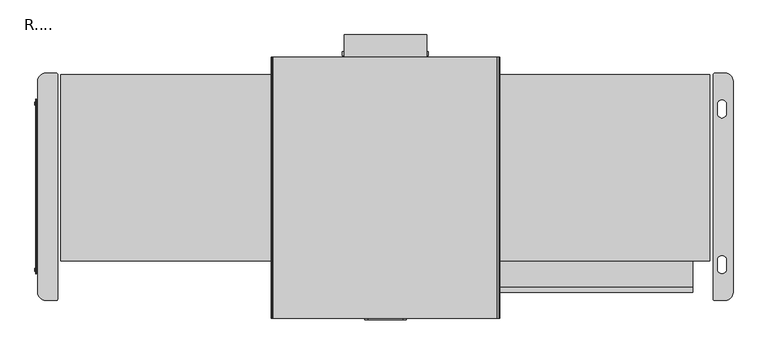
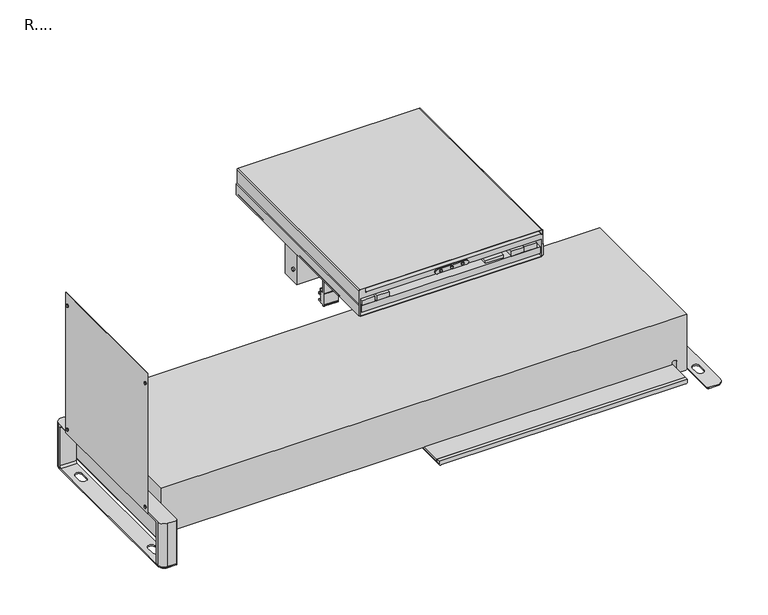
"""IFC4 building model written with IfcOpenShell, lengths in millimetres: proxy geometry, R....."""

from ifc_helpers import new_model, si_unit, point, frame, frame_2d, origin, origin_with_axes, place, context, project, spatial, polyline, circle_curve, trimmed, segment, composite_curve, outline, extrude, source, transform, mapped, element, save
from ifc_brep_helpers import plane_surface, cylinder_surface, revolved_surface, advanced_brep


def r_18de307f(model_context):
    return source(origin(), model_context, "Body", "SolidModel", [
        advanced_brep(
        [(250.1971938, -295.503, 582.7974869), (252.1971938, -295.503, 583.5614189), (253.2, -295.503, 585.8075339), (253.2, -295.503, 590.7), (253.2, -295.503, 595.6), (255.0, -295.503, 595.6), (255.0, -295.503, 586.3), (256.5, -295.503, 586.3), (256.5, -295.503, 617.6), (254.5, -295.503, 619.2733201), (254.5, -295.503, 658.3000631), (251.5000631, -295.503, 661.3), (-251.5, -295.503, 661.3), (-254.4999369, -295.503, 658.3000631), (-254.4999369, -295.503, 619.2733087), (-256.5, -295.503, 617.6), (-256.5, -295.503, 586.3), (-255.0, -295.503, 586.3), (-255.0, -295.503, 595.6), (-252.8, -295.503, 595.6), (-252.8, -295.503, 590.7), (-252.8, -295.503, 585.803767), (-251.7971915, -295.503, 583.5614189), (-249.7971915, -295.503, 582.7974869), (-249.8, -295.503, 634.3), (250.2, -295.503, 634.3), (250.2, -295.503, 584.3), (-249.8, -295.503, 584.3), (-236.8, -295.503, 659.8), (251.4950188, -295.503, 659.8), (253.0, -295.503, 658.3), (253.0, -295.503, 647.1717798), (251.2, -295.503, 648.3), (249.9, -295.503, 648.3), (249.9, -295.503, 650.0), (-235.8, -295.503, 650.0), (-235.8, -295.503, 648.4), (-236.8, -295.503, 648.4), (247.6997616, -295.503, 593.2034903), (247.6997616, -295.503, 612.9896324), (-247.3002997, -295.503, 612.9896324), (-247.3002997, -295.503, 593.2034903), (95.375, -295.503, 616.75), (145.275, -295.503, 616.75), (145.275, -295.503, 625.25), (95.375, -295.503, 625.25), (202.4, -295.503, 627.5), (167.4, -295.503, 627.5), (167.4, -295.503, 613.4), (202.4, -295.503, 613.4), (238.8, -295.503, 627.5), (203.8, -295.503, 627.5), (203.8, -295.503, 613.4), (238.8, -295.503, 613.4), (-171.3, -295.503, 627.5), (-206.3, -295.503, 627.5), (-206.3, -295.503, 613.4), (-171.3, -295.503, 613.4), (-211.2, -295.503, 627.5), (-246.2, -295.503, 627.5), (-246.2, -295.503, 613.4), (-211.2, -295.503, 613.4), (250.1971938, 291.75, 582.7974869), (-249.7971915, 291.75, 582.7974869), (-251.7971915, 291.75, 583.5614189), (-252.8, 291.75, 585.803767), (-252.8, 291.75, 590.7), (-252.8, 291.75, 595.6), (-255.0, 291.75, 595.6), (-255.0, 291.75, 586.3), (-256.5, 291.75, 586.3), (-256.5, 291.75, 617.6), (-254.4999369, 291.75, 619.2733087), (-254.4999369, 291.75, 658.3000631), (-251.5, 291.75, 661.3), (251.5000631, 291.75, 661.3), (254.5, 291.75, 658.3000631), (254.5, 291.75, 619.2733201), (256.5, 291.75, 617.6), (256.5, 291.75, 586.3), (255.0, 291.75, 586.3), (255.0, 291.75, 595.6), (253.2, 291.75, 595.6), (253.2, 291.75, 590.7), (253.2, 291.75, 585.8075339), (252.1971938, 291.75, 583.5614189), (250.2, 242.4499937, 634.3), (-249.8, 242.4499937, 634.3), (-249.8, 242.4499937, 584.3), (250.2, 242.4499937, 584.3), (247.6997616, 242.4499937, 612.9896324), (247.6997616, 242.4499937, 593.2034903), (-247.3002997, 242.4499937, 593.2034903), (-247.3002997, 242.4499937, 612.9896324), (145.275, 242.4499937, 616.75), (95.375, 242.4499937, 616.75), (95.375, 242.4499937, 625.25), (145.275, 242.4499937, 625.25), (167.4, 242.4499937, 627.5), (202.4, 242.4499937, 627.5), (202.4, 242.4499937, 613.4), (167.4, 242.4499937, 613.4), (203.8, 242.4499937, 627.5), (238.8, 242.4499937, 627.5), (238.8, 242.4499937, 613.4), (203.8, 242.4499937, 613.4), (-206.3, 242.4499937, 627.5), (-171.3, 242.4499937, 627.5), (-171.3, 242.4499937, 613.4), (-206.3, 242.4499937, 613.4), (-246.2, 242.4499937, 627.5), (-211.2, 242.4499937, 627.5), (-211.2, 242.4499937, 613.4), (-246.2, 242.4499937, 613.4), (251.4950188, 242.4499937, 659.8), (-236.8, 242.4499937, 659.8), (-236.8, 242.4499937, 648.4), (-235.8, 242.4499937, 648.4), (-235.8, 242.4499937, 650.0), (249.9, 242.4499937, 650.0), (249.9, 242.4499937, 648.3), (251.2, 242.4499937, 648.3), (253.0, 242.4499937, 647.1717798), (253.0, 242.4499937, 658.3)],
        [
            (0, 1, circle_curve(frame((250.1971938, -295.503, 585.7974869), z_axis=(0.0, -1.0, 0.0), x_axis=(1.0, 0.0, 0.0)), 3.0)),
            (1, 2, circle_curve(frame((250.1915768, -295.503, 585.803767), z_axis=(0.0, -1.0, 0.0), x_axis=(0.9999992160780129, 0.0, -0.001252135519700065)), 3.0084255)),
            (2, 3),
            (3, 4),
            (4, 5),
            (5, 6),
            (6, 7),
            (7, 8),
            (8, 9, circle_curve(frame((254.8, -295.503, 617.6), z_axis=(0.0, -1.0, 0.0), x_axis=(0.0, 0.0, 1.0)), 1.7)),
            (9, 10),
            (10, 11, circle_curve(frame((251.5000631, -295.503, 658.3000631), z_axis=(0.0, -1.0, 0.0), x_axis=(1.0, 0.0, 0.0)), 2.9999369)),
            (11, 12),
            (12, 13, circle_curve(frame((-251.5, -295.503, 658.3000631), z_axis=(0.0, -1.0, 0.0), x_axis=(-1.0, 0.0, 0.0)), 2.9999369)),
            (13, 14),
            (14, 15, circle_curve(frame((-254.8, -295.503, 617.6), z_axis=(0.0, -1.0, 0.0), x_axis=(-1.0, 0.0, 0.0)), 1.7)),
            (15, 16),
            (16, 17),
            (17, 18),
            (18, 19),
            (19, 20),
            (20, 21),
            (21, 22, circle_curve(frame((-249.7915745, -295.503, 585.803767), z_axis=(0.0, -1.0, 0.0), x_axis=(-0.9999992160780129, 0.0, -0.0012521355196968339)), 3.0084255)),
            (22, 23, circle_curve(frame((-249.7971915, -295.503, 585.7974869), z_axis=(0.0, -1.0, 0.0), x_axis=(-1.0, 0.0, 0.0)), 3.0)),
            (23, 0),
            (24, 25),
            (25, 26),
            (26, 27),
            (27, 24),
            (28, 29),
            (29, 30, circle_curve(frame((251.4975094, -295.503, 658.2975094), z_axis=(0.0, 1.0, 0.0), x_axis=(1.0, 0.0, 0.0)), 1.5024927)),
            (30, 31),
            (31, 32, circle_curve(frame((251.2, -295.503, 646.3), z_axis=(0.0, -1.0, 0.0), x_axis=(1.0, 0.0, 0.0)), 2.0)),
            (32, 33),
            (33, 34),
            (34, 35),
            (35, 36),
            (36, 37),
            (37, 28),
            (38, 39),
            (39, 40),
            (40, 41),
            (41, 38),
            (42, 43),
            (43, 44),
            (44, 45),
            (45, 42),
            (46, 47),
            (47, 48),
            (48, 49),
            (49, 46),
            (50, 51),
            (51, 52),
            (52, 53),
            (53, 50),
            (54, 55),
            (55, 56),
            (56, 57),
            (57, 54),
            (58, 59),
            (59, 60),
            (60, 61),
            (61, 58),
            (62, 63),
            (63, 64, circle_curve(frame((-249.7971915, 291.75, 585.7974869), z_axis=(0.0, 1.0, 0.0), x_axis=(-1.0, 0.0, 0.0)), 3.0)),
            (64, 65, circle_curve(frame((-249.7915745, 291.75, 585.803767), z_axis=(0.0, 1.0, 0.0), x_axis=(-0.9999992160780129, 0.0, -0.0012521355196968339)), 3.0084255)),
            (65, 66),
            (66, 67),
            (67, 68),
            (68, 69),
            (69, 70),
            (70, 71),
            (71, 72, circle_curve(frame((-254.8, 291.75, 617.6), z_axis=(0.0, 1.0, 0.0), x_axis=(-1.0, 0.0, 0.0)), 1.7)),
            (72, 73),
            (73, 74, circle_curve(frame((-251.5, 291.75, 658.3000631), z_axis=(0.0, 1.0, 0.0), x_axis=(-1.0, 0.0, 0.0)), 2.9999369)),
            (74, 75),
            (75, 76, circle_curve(frame((251.5000631, 291.75, 658.3000631), z_axis=(0.0, 1.0, 0.0), x_axis=(1.0, 0.0, 0.0)), 2.9999369)),
            (76, 77),
            (77, 78, circle_curve(frame((254.8, 291.75, 617.6), z_axis=(0.0, 1.0, 0.0), x_axis=(0.0, 0.0, 1.0)), 1.7)),
            (78, 79),
            (79, 80),
            (80, 81),
            (81, 82),
            (82, 83),
            (83, 84),
            (84, 85, circle_curve(frame((250.1915768, 291.75, 585.803767), z_axis=(0.0, 1.0, 0.0), x_axis=(0.9999992160780129, 0.0, -0.001252135519700065)), 3.0084255)),
            (85, 62, circle_curve(frame((250.1971938, 291.75, 585.7974869), z_axis=(0.0, 1.0, 0.0), x_axis=(1.0, 0.0, 0.0)), 3.0)),
            (0, 62),
            (85, 1),
            (84, 2),
            (9, 77),
            (76, 10),
            (75, 11),
            (74, 12),
            (23, 63),
            (86, 87),
            (87, 88),
            (88, 89),
            (89, 86),
            (90, 91),
            (91, 92),
            (92, 93),
            (93, 90),
            (94, 95),
            (95, 96),
            (96, 97),
            (97, 94),
            (98, 99),
            (99, 100),
            (100, 101),
            (101, 98),
            (102, 103),
            (103, 104),
            (104, 105),
            (105, 102),
            (106, 107),
            (107, 108),
            (108, 109),
            (109, 106),
            (110, 111),
            (111, 112),
            (112, 113),
            (113, 110),
            (86, 25),
            (24, 87),
            (27, 88),
            (26, 89),
            (83, 3),
            (82, 4),
            (81, 5),
            (73, 13),
            (72, 14),
            (18, 68),
            (67, 19),
            (66, 20),
            (65, 21),
            (64, 22),
            (80, 6),
            (79, 7),
            (78, 8),
            (71, 15),
            (70, 16),
            (69, 17),
            (114, 115),
            (115, 116),
            (116, 117),
            (117, 118),
            (118, 119),
            (119, 120),
            (120, 121),
            (121, 122, circle_curve(frame((251.2, 242.4499937, 646.3), z_axis=(0.0, 1.0, 0.0), x_axis=(1.0, 0.0, 0.0)), 2.0)),
            (122, 123),
            (123, 114, circle_curve(frame((251.4975094, 242.4499937, 658.2975094), z_axis=(0.0, -1.0, 0.0), x_axis=(1.0, 0.0, 0.0)), 1.5024927)),
            (114, 29),
            (28, 115),
            (37, 116),
            (118, 35),
            (34, 119),
            (36, 117),
            (33, 120),
            (32, 121),
            (31, 122),
            (30, 123),
            (90, 39),
            (38, 91),
            (41, 92),
            (40, 93),
            (94, 43),
            (42, 95),
            (45, 96),
            (44, 97),
            (98, 47),
            (46, 99),
            (49, 100),
            (48, 101),
            (102, 51),
            (50, 103),
            (53, 104),
            (52, 105),
            (106, 55),
            (54, 107),
            (57, 108),
            (56, 109),
            (110, 59),
            (58, 111),
            (61, 112),
            (60, 113),
        ],
        [
            plane_surface(frame((253.1971938, -295.503, 585.7974869), z_axis=(0.0, -1.0, 0.0), x_axis=(0.0, 0.0, 1.0))),
            plane_surface(frame((253.1971938, 291.75, 585.7974869), z_axis=(0.0, 1.0, 0.0), x_axis=(0.0, 0.0, -1.0))),
            cylinder_surface(frame((250.1971938, 291.75, 585.7974869), z_axis=(0.0, -1.0, 0.0), x_axis=(1.0, 0.0, 0.0)), 3.0),
            cylinder_surface(frame((250.1915768, 291.75, 585.803767), z_axis=(0.0, -1.0, 0.0), x_axis=(0.9999992160780129, 0.0, -0.001252135519700065)), 3.0084255),
            plane_surface(frame((254.5, -295.503, 619.2733201), z_axis=(1.0, 0.0, 0.0), x_axis=(0.0, 1.0, 0.0))),
            cylinder_surface(frame((251.5000631, 291.75, 658.3000631), z_axis=(0.0, -1.0, 0.0), x_axis=(1.0, 0.0, 0.0)), 2.9999369),
            plane_surface(frame((251.5000631, -295.503, 661.3), z_axis=(-1.3175240557842785e-12, 0.0, 1.0), x_axis=(0.0, 1.0, 0.0))),
            plane_surface(frame((-249.7971915, -295.503, 582.7974869), z_axis=(0.0, 0.0, -1.0), x_axis=(0.0, 1.0, 0.0))),
            plane_surface(frame((-244.5975258, 242.4499937, 634.3), z_axis=(0.0, -1.0, 0.0), x_axis=(1.0, 0.0, 0.0))),
            plane_surface(frame((250.2, -380.25, 634.3), z_axis=(0.0, 0.0, -1.0), x_axis=(0.0, 1.0, 0.0))),
            plane_surface(frame((-249.8, -380.25, 634.3), z_axis=(1.0, 0.0, 0.0), x_axis=(0.0, 1.0, 0.0))),
            plane_surface(frame((-249.8, -380.25, 584.3), z_axis=(0.0, 0.0, 1.0), x_axis=(0.0, 1.0, 0.0))),
            plane_surface(frame((250.2, -380.25, 584.3), z_axis=(-1.0, 0.0, 0.0), x_axis=(0.0, 1.0, 0.0))),
            plane_surface(frame((253.2, -295.503, 585.8075339), z_axis=(1.0, 0.0, 0.0), x_axis=(0.0, 1.0, 0.0))),
            plane_surface(frame((253.2, -295.503, 590.7), z_axis=(1.0, 0.0, 0.0), x_axis=(0.0, 1.0, 0.0))),
            plane_surface(frame((253.2, -295.503, 595.6), z_axis=(0.0, 0.0, -1.0), x_axis=(0.0, 1.0, 0.0))),
            cylinder_surface(frame((-251.5, 291.75, 658.3000631), z_axis=(0.0, -1.0, 0.0), x_axis=(-1.0, 0.0, 0.0)), 2.9999369),
            plane_surface(frame((-254.4999369, -295.503, 658.3000631), z_axis=(-1.0, 0.0, -1.697583253775681e-11), x_axis=(0.0, 1.0, 0.0))),
            plane_surface(frame((-255.0, -295.503, 595.6), z_axis=(0.0, 0.0, -1.0), x_axis=(0.0, 1.0, 0.0))),
            plane_surface(frame((-252.8, -295.503, 595.6), z_axis=(-1.0, 0.0, 0.0), x_axis=(0.0, 1.0, 0.0))),
            plane_surface(frame((-252.8, -295.503, 590.7), z_axis=(-1.0, 0.0, 0.0), x_axis=(0.0, 1.0, 0.0))),
            cylinder_surface(frame((-249.7915745, 291.75, 585.803767), z_axis=(0.0, -1.0, 0.0), x_axis=(-0.9999992160780129, 0.0, -0.0012521355196968339)), 3.0084255),
            cylinder_surface(frame((-249.7971915, 291.75, 585.7974869), z_axis=(0.0, -1.0, 0.0), x_axis=(-1.0, 0.0, 0.0)), 3.0),
            plane_surface(frame((255.0, -295.503, 595.6), z_axis=(-1.0, 0.0, 0.0), x_axis=(0.0, 1.0, 0.0))),
            plane_surface(frame((255.0, -295.503, 586.3), z_axis=(0.0, 0.0, -1.0), x_axis=(0.0, 1.0, 0.0))),
            plane_surface(frame((256.5, -295.503, 586.3), z_axis=(1.0, 0.0, 0.0), x_axis=(0.0, 1.0, 0.0))),
            cylinder_surface(frame((254.8, 291.75, 617.6), z_axis=(0.0, -1.0, 0.0), x_axis=(0.0, 0.0, 1.0)), 1.7),
            cylinder_surface(frame((-254.8, 291.75, 617.6), z_axis=(0.0, -1.0, 0.0), x_axis=(-1.0, 0.0, 0.0)), 1.7),
            plane_surface(frame((-256.5, -295.503, 617.6), z_axis=(-1.0, 0.0, 0.0), x_axis=(0.0, 1.0, 0.0))),
            plane_surface(frame((-256.5, -295.503, 586.3), z_axis=(0.0, 0.0, -1.0), x_axis=(0.0, 1.0, 0.0))),
            plane_surface(frame((-255.0, -295.503, 586.3), z_axis=(1.0, 0.0, 0.0), x_axis=(0.0, 1.0, 0.0))),
            plane_surface(frame((-244.5975258, 242.4499937, 659.8), z_axis=(0.0, -1.0, 0.0), x_axis=(1.0, 0.0, 0.0))),
            plane_surface(frame((251.4950188, -380.25, 659.8), z_axis=(0.0, 0.0, -1.0), x_axis=(0.0, 1.0, 0.0))),
            plane_surface(frame((-236.8, -380.25, 659.8), z_axis=(1.0, 0.0, 0.0), x_axis=(0.0, 1.0, 0.0))),
            plane_surface(frame((-235.8, -380.25, 650.0), z_axis=(0.0, 0.0, 1.0), x_axis=(0.0, 1.0, 0.0))),
            plane_surface(frame((-236.8, -380.25, 648.4), z_axis=(0.0, 0.0, 1.0), x_axis=(0.0, 1.0, 0.0))),
            plane_surface(frame((-235.8, -380.25, 648.4), z_axis=(-1.0, 0.0, 0.0), x_axis=(0.0, 1.0, 0.0))),
            plane_surface(frame((249.9, -380.25, 650.0), z_axis=(1.0, 0.0, 0.0), x_axis=(0.0, 1.0, 0.0))),
            plane_surface(frame((249.9, -380.25, 648.3), z_axis=(0.0, 0.0, 1.0), x_axis=(0.0, 1.0, 0.0))),
            cylinder_surface(frame((251.2, 242.4499937, 646.3), z_axis=(0.0, 1.0, 0.0), x_axis=(1.0, 0.0, 0.0)), 2.0),
            plane_surface(frame((253.0, -380.25, 647.1717798), z_axis=(-1.0, 0.0, 0.0), x_axis=(0.0, 1.0, 0.0))),
            revolved_surface(polyline([(253.00000210000002, -295.503, 658.2975094), (253.00000210000002, 242.4499937, 658.2975094)]), (251.4975094, 242.4499937, 658.2975094), (0.0, -1.0, 0.0)),
            plane_surface(frame((247.6997616, -380.25, 612.9896324), z_axis=(1.0, 0.0, 0.0), x_axis=(0.0, 1.0, 0.0))),
            plane_surface(frame((247.6997616, -380.25, 593.2034903), z_axis=(0.0, 0.0, -1.0), x_axis=(0.0, 1.0, 0.0))),
            plane_surface(frame((-247.3002997, -380.25, 593.2034903), z_axis=(-1.0, 0.0, 0.0), x_axis=(0.0, 1.0, 0.0))),
            plane_surface(frame((-247.3002997, -380.25, 612.9896324), z_axis=(0.0, 0.0, 1.0), x_axis=(0.0, 1.0, 0.0))),
            plane_surface(frame((145.275, -380.25, 616.75), z_axis=(0.0, 0.0, -1.0), x_axis=(0.0, 1.0, 0.0))),
            plane_surface(frame((95.375, -380.25, 616.75), z_axis=(-1.0, 0.0, 0.0), x_axis=(0.0, 1.0, 0.0))),
            plane_surface(frame((95.375, -380.25, 625.25), z_axis=(0.0, 0.0, 1.0), x_axis=(0.0, 1.0, 0.0))),
            plane_surface(frame((145.275, -380.25, 625.25), z_axis=(1.0, 0.0, 0.0), x_axis=(0.0, 1.0, 0.0))),
            plane_surface(frame((167.4, -380.25, 627.5), z_axis=(0.0, 0.0, 1.0), x_axis=(0.0, 1.0, 0.0))),
            plane_surface(frame((202.4, -380.25, 627.5), z_axis=(1.0, 0.0, 0.0), x_axis=(0.0, 1.0, 0.0))),
            plane_surface(frame((202.4, -380.25, 613.4), z_axis=(0.0, 0.0, -1.0), x_axis=(0.0, 1.0, 0.0))),
            plane_surface(frame((167.4, -380.25, 613.4), z_axis=(-1.0, 0.0, 0.0), x_axis=(0.0, 1.0, 0.0))),
            plane_surface(frame((203.8, -380.25, 627.5), z_axis=(0.0, 0.0, 1.0), x_axis=(0.0, 1.0, 0.0))),
            plane_surface(frame((238.8, -380.25, 627.5), z_axis=(1.0, 0.0, 0.0), x_axis=(0.0, 1.0, 0.0))),
            plane_surface(frame((238.8, -380.25, 613.4), z_axis=(0.0, 0.0, -1.0), x_axis=(0.0, 1.0, 0.0))),
            plane_surface(frame((203.8, -380.25, 613.4), z_axis=(-1.0, 0.0, 0.0), x_axis=(0.0, 1.0, 0.0))),
            plane_surface(frame((-206.3, -380.25, 627.5), z_axis=(0.0, 0.0, 1.0), x_axis=(0.0, 1.0, 0.0))),
            plane_surface(frame((-171.3, -380.25, 627.5), z_axis=(1.0, 0.0, 0.0), x_axis=(0.0, 1.0, 0.0))),
            plane_surface(frame((-171.3, -380.25, 613.4), z_axis=(0.0, 0.0, -1.0), x_axis=(0.0, 1.0, 0.0))),
            plane_surface(frame((-206.3, -380.25, 613.4), z_axis=(-1.0, 0.0, 0.0), x_axis=(0.0, 1.0, 0.0))),
            plane_surface(frame((-246.2, -380.25, 627.5), z_axis=(0.0, 0.0, 1.0), x_axis=(0.0, 1.0, 0.0))),
            plane_surface(frame((-211.2, -380.25, 627.5), z_axis=(1.0, 0.0, 0.0), x_axis=(0.0, 1.0, 0.0))),
            plane_surface(frame((-211.2, -380.25, 613.4), z_axis=(0.0, 0.0, -1.0), x_axis=(0.0, 1.0, 0.0))),
            plane_surface(frame((-246.2, -380.25, 613.4), z_axis=(-1.0, 0.0, 0.0), x_axis=(0.0, 1.0, 0.0))),
        ],
        [
            (0, [[1, 2, 3, 4, 5, 6, 7, 8, 9, 10, 11, 12, 13, 14, 15, 16, 17, 18, 19, 20, 21, 22, 23, 24], [25, 26, 27, 28], [29, 30, 31, 32, 33, 34, 35, 36, 37, 38]]),
            (0, [[39, 40, 41, 42]]),
            (0, [[43, 44, 45, 46]]),
            (0, [[47, 48, 49, 50]]),
            (0, [[51, 52, 53, 54]]),
            (0, [[55, 56, 57, 58]]),
            (0, [[59, 60, 61, 62]]),
            (1, [[63, 64, 65, 66, 67, 68, 69, 70, 71, 72, 73, 74, 75, 76, 77, 78, 79, 80, 81, 82, 83, 84, 85, 86]]),
            (2, [[-1, 87, -86, 88]]),
            (3, [[-2, -88, -85, 89]]),
            (4, [[-10, 90, -77, 91]]),
            (5, [[-11, -91, -76, 92]]),
            (6, [[-12, -92, -75, 93]]),
            (7, [[-24, 94, -63, -87]]),
            (8, [[95, 96, 97, 98], [99, 100, 101, 102], [103, 104, 105, 106], [107, 108, 109, 110], [111, 112, 113, 114], [115, 116, 117, 118], [119, 120, 121, 122]]),
            (9, [[-95, 123, -25, 124]]),
            (10, [[-96, -124, -28, 125]]),
            (11, [[-97, -125, -27, 126]]),
            (12, [[-98, -126, -26, -123]]),
            (13, [[-3, -89, -84, 127]]),
            (14, [[-4, -127, -83, 128]]),
            (15, [[-5, -128, -82, 129]]),
            (16, [[-13, -93, -74, 130]]),
            (17, [[-14, -130, -73, 131]]),
            (18, [[-19, 132, -68, 133]]),
            (19, [[-20, -133, -67, 134]]),
            (20, [[-21, -134, -66, 135]]),
            (21, [[-22, -135, -65, 136]]),
            (22, [[-23, -136, -64, -94]]),
            (23, [[-6, -129, -81, 137]]),
            (24, [[-7, -137, -80, 138]]),
            (25, [[-8, -138, -79, 139]]),
            (26, [[-9, -139, -78, -90]]),
            (27, [[-15, -131, -72, 140]]),
            (28, [[-16, -140, -71, 141]]),
            (29, [[-17, -141, -70, 142]]),
            (30, [[-18, -142, -69, -132]]),
            (31, [[143, 144, 145, 146, 147, 148, 149, 150, 151, 152]]),
            (32, [[-143, 153, -29, 154]]),
            (33, [[-144, -154, -38, 155]]),
            (34, [[-147, 156, -35, 157]]),
            (35, [[-145, -155, -37, 158]]),
            (36, [[-146, -158, -36, -156]]),
            (37, [[-148, -157, -34, 159]]),
            (38, [[-149, -159, -33, 160]]),
            (39, [[-150, -160, -32, 161]]),
            (40, [[-151, -161, -31, 162]]),
            (41, [[-152, -162, -30, -153]]),
            (42, [[-99, 163, -39, 164]]),
            (43, [[-100, -164, -42, 165]]),
            (44, [[-101, -165, -41, 166]]),
            (45, [[-102, -166, -40, -163]]),
            (46, [[-103, 167, -43, 168]]),
            (47, [[-104, -168, -46, 169]]),
            (48, [[-105, -169, -45, 170]]),
            (49, [[-106, -170, -44, -167]]),
            (50, [[-107, 171, -47, 172]]),
            (51, [[-108, -172, -50, 173]]),
            (52, [[-109, -173, -49, 174]]),
            (53, [[-110, -174, -48, -171]]),
            (54, [[-111, 175, -51, 176]]),
            (55, [[-112, -176, -54, 177]]),
            (56, [[-113, -177, -53, 178]]),
            (57, [[-114, -178, -52, -175]]),
            (58, [[-115, 179, -55, 180]]),
            (59, [[-116, -180, -58, 181]]),
            (60, [[-117, -181, -57, 182]]),
            (61, [[-118, -182, -56, -179]]),
            (62, [[-119, 183, -59, 184]]),
            (63, [[-120, -184, -62, 185]]),
            (64, [[-121, -185, -61, 186]]),
            (65, [[-122, -186, -60, -183]]),
        ],
    ),
        extrude(outline(polyline([(340.5, 258.8), (332.0, 258.8), (332.0, 254.8), (324.0, 254.8), (324.0, 258.8), (315.5, 258.8), (315.5, 266.8), (340.5, 266.8), (340.5, 258.8)])), frame((-52.7542649, 0.0, 0.0), z_axis=(1.0, 0.0, 0.0), x_axis=(0.0, 1.0, 0.0)), (0.0, 0.0, 1.0), 105.6644971),
        extrude(outline(composite_curve([segment(trimmed(circle_curve(frame_2d((299.0, 506.05)), 4.5), [point((303.5, 506.05))], [point((294.5, 506.05))], False, "CARTESIAN"), True, "CONTINUOUS"), segment(trimmed(circle_curve(frame_2d((299.0, 506.05)), 4.5), [point((294.5, 506.05))], [point((303.5, 506.05))], False, "CARTESIAN"), True, "CONTINUOUS")], self_intersect=False)), frame((92.4907768, 0.0, 0.0), z_axis=(1.0, 0.0, 0.0), x_axis=(0.0, 1.0, 0.0)), (0.0, 0.0, 1.0), 4.1824145),
        extrude(outline(composite_curve([segment(trimmed(circle_curve(frame_2d((299.0, 306.05)), 4.5), [point((303.5, 306.05))], [point((294.5, 306.05))], False, "CARTESIAN"), True, "CONTINUOUS"), segment(trimmed(circle_curve(frame_2d((299.0, 306.05)), 4.5), [point((294.5, 306.05))], [point((303.5, 306.05))], False, "CARTESIAN"), True, "CONTINUOUS")], self_intersect=False)), frame((92.4907768, 0.0, 0.0), z_axis=(1.0, 0.0, 0.0), x_axis=(0.0, 1.0, 0.0)), (0.0, 0.0, 1.0), 4.1824145),
        extrude(outline(composite_curve([segment(trimmed(circle_curve(frame_2d((299.0, 506.05)), 4.5), [point((303.5, 506.05))], [point((294.5, 506.05))], False, "CARTESIAN"), True, "CONTINUOUS"), segment(trimmed(circle_curve(frame_2d((299.0, 506.05)), 4.5), [point((294.5, 506.05))], [point((303.5, 506.05))], False, "CARTESIAN"), True, "CONTINUOUS")], self_intersect=False)), frame((-96.6731913, 0.0, 0.0), z_axis=(1.0, 0.0, 0.0), x_axis=(0.0, 1.0, 0.0)), (0.0, 0.0, 1.0), 4.1824145),
        extrude(outline(composite_curve([segment(trimmed(circle_curve(frame_2d((299.0, 306.05)), 4.5), [point((303.5, 306.05))], [point((294.5, 306.05))], False, "CARTESIAN"), True, "CONTINUOUS"), segment(trimmed(circle_curve(frame_2d((299.0, 306.05)), 4.5), [point((294.5, 306.05))], [point((303.5, 306.05))], False, "CARTESIAN"), True, "CONTINUOUS")], self_intersect=False)), frame((-96.6731913, 0.0, 0.0), z_axis=(1.0, 0.0, 0.0), x_axis=(0.0, 1.0, 0.0)), (0.0, 0.0, 1.0), 4.1824145),
        extrude(outline(polyline([(92.4907768, 341.7), (92.4907768, 286.5), (-92.4907768, 286.5), (-92.4907768, 341.7), (92.4907768, 341.7)])), frame((0.0, 0.0, 266.8), z_axis=(0.0, 0.0, 1.0), x_axis=(1.0, 0.0, 0.0)), (0.0, 0.0, 1.0), 273.0991752),
        extrude(outline(composite_curve([segment(polyline([(283.5, 315.2959), (286.5, 315.2959), (286.5, 217.2959), (294.5, 217.2959), (294.5, 225.5959), (297.5, 225.5959), (297.5, 216.2959), (295.5, 214.2959), (294.5, 214.2959), (294.5, 209.7959), (304.5, 209.7959), (304.475221, 208.5029815), (304.475221, 206.5171329)]), True, "CONTINUOUS"), segment(trimmed(circle_curve(frame_2d((303.5, 206.2959)), 1.0), [point((304.475221, 206.5171329))], [point((303.5, 205.2959))], False, "CARTESIAN"), True, "CONTINUOUS"), segment(polyline([(303.5, 205.2959), (294.5, 205.2959), (294.5, 190.2959), (303.5, 190.2959)]), True, "CONTINUOUS"), segment(trimmed(circle_curve(frame_2d((303.5, 189.2959)), 1.0), [point((303.5, 190.2959))], [point((304.5, 189.2959))], False, "CARTESIAN"), True, "CONTINUOUS"), segment(polyline([(304.5, 189.2959), (304.5, 187.0459), (304.5, 185.7959), (294.5, 185.7959), (294.5, 184.7959), (286.5, 184.7959), (286.5, 183.8030429), (286.5, 181.7280429), (286.5, 180.2959), (283.5, 180.2959)]), True, "CONTINUOUS"), segment(trimmed(circle_curve(frame_2d((283.5, 182.2959)), 2.0), [point((283.5, 180.2959))], [point((281.5, 182.2959))], False, "CARTESIAN"), True, "CONTINUOUS"), segment(polyline([(281.5, 182.2959), (281.5, 183.4316143), (281.5, 185.4959), (281.5, 216.5959), (281.5, 218.6601857), (281.5, 278.3459), (281.5, 282.3459), (281.5, 296.8459), (281.5, 300.8459), (281.5, 313.2959)]), True, "CONTINUOUS"), segment(trimmed(circle_curve(frame_2d((283.5, 313.2959)), 2.0), [point((281.5, 313.2959))], [point((283.5, 315.2959))], False, "CARTESIAN"), True, "CONTINUOUS")], self_intersect=False)), frame((-20.2003079, 0.0, 0.0), z_axis=(1.0, 0.0, 0.0), x_axis=(0.0, 1.0, 0.0)), (0.0, 0.0, 1.0), 40.2835824),
        extrude(outline(composite_curve([segment(trimmed(circle_curve(frame_2d((642.15, -39.8)), 6.25), [point((648.4, -39.8))], [point((635.9, -39.8))], False, "CARTESIAN"), True, "CONTINUOUS"), segment(polyline([(635.9, -39.8), (635.9, 40.2)]), True, "CONTINUOUS"), segment(trimmed(circle_curve(frame_2d((642.15, 40.2)), 6.25), [point((635.9, 40.2))], [point((648.4, 40.2))], False, "CARTESIAN"), True, "CONTINUOUS"), segment(polyline([(648.4, 40.2), (648.4, -39.8)]), True, "CONTINUOUS")], self_intersect=False), holes=[composite_curve([segment(trimmed(circle_curve(frame_2d((641.9, -29.8)), 3.75), [point((641.9, -33.55))], [point((641.9, -26.05))], True, "CARTESIAN"), True, "CONTINUOUS"), segment(trimmed(circle_curve(frame_2d((641.9, -29.8)), 3.75), [point((641.9, -26.05))], [point((641.9, -33.55))], True, "CARTESIAN"), True, "CONTINUOUS")], self_intersect=False), composite_curve([segment(trimmed(circle_curve(frame_2d((641.9, 0.2)), 3.75), [point((641.9, -3.55))], [point((641.9, 3.95))], True, "CARTESIAN"), True, "CONTINUOUS"), segment(trimmed(circle_curve(frame_2d((641.9, 0.2)), 3.75), [point((641.9, 3.95))], [point((641.9, -3.55))], True, "CARTESIAN"), True, "CONTINUOUS")], self_intersect=False), composite_curve([segment(trimmed(circle_curve(frame_2d((641.9, 30.2)), 3.75), [point((641.9, 26.45))], [point((641.9, 33.95))], True, "CARTESIAN"), True, "CONTINUOUS"), segment(trimmed(circle_curve(frame_2d((641.9, 30.2)), 3.75), [point((641.9, 33.95))], [point((641.9, 26.45))], True, "CARTESIAN"), True, "CONTINUOUS")], self_intersect=False)]), frame((0.0, -299.6963105, 0.0), z_axis=(0.0, 1.0, 0.0), x_axis=(0.0, 0.0, 1.0)), (0.0, 0.0, 1.0), 4.1933105),
        extrude(outline(composite_curve([segment(trimmed(circle_curve(frame_2d((641.9, 30.2)), 3.05), [point((641.9, 27.15))], [point((641.9, 33.25))], False, "CARTESIAN"), True, "CONTINUOUS"), segment(trimmed(circle_curve(frame_2d((641.9, 30.2)), 3.05), [point((641.9, 33.25))], [point((641.9, 27.15))], False, "CARTESIAN"), True, "CONTINUOUS")], self_intersect=False)), frame((0.0, -299.6963105, 0.0), z_axis=(0.0, 1.0, 0.0), x_axis=(0.0, 0.0, 1.0)), (0.0, 0.0, 1.0), 4.1933105),
        extrude(outline(composite_curve([segment(trimmed(circle_curve(frame_2d((641.9, 0.2)), 3.05), [point((641.9, -2.85))], [point((641.9, 3.25))], False, "CARTESIAN"), True, "CONTINUOUS"), segment(trimmed(circle_curve(frame_2d((641.9, 0.2)), 3.05), [point((641.9, 3.25))], [point((641.9, -2.85))], False, "CARTESIAN"), True, "CONTINUOUS")], self_intersect=False)), frame((0.0, -299.6963105, 0.0), z_axis=(0.0, 1.0, 0.0), x_axis=(0.0, 0.0, 1.0)), (0.0, 0.0, 1.0), 4.1933105),
        extrude(outline(composite_curve([segment(trimmed(circle_curve(frame_2d((641.9, -29.8)), 3.05), [point((641.9, -32.85))], [point((641.9, -26.75))], False, "CARTESIAN"), True, "CONTINUOUS"), segment(trimmed(circle_curve(frame_2d((641.9, -29.8)), 3.05), [point((641.9, -26.75))], [point((641.9, -32.85))], False, "CARTESIAN"), True, "CONTINUOUS")], self_intersect=False)), frame((0.0, -299.6963105, 0.0), z_axis=(0.0, 1.0, 0.0), x_axis=(0.0, 0.0, 1.0)), (0.0, 0.0, 1.0), 4.1933105),
        extrude(outline(composite_curve([segment(trimmed(circle_curve(frame_2d((739.5, 252.0)), 3.5), [point((736.0, 252.0))], [point((739.5, 255.5))], False, "CARTESIAN"), True, "CONTINUOUS"), segment(polyline([(739.5, 255.5), (763.0, 255.5)]), True, "CONTINUOUS"), segment(trimmed(circle_curve(frame_2d((763.0, 237.5)), 18.0), [point((763.0, 255.5))], [point((781.0, 237.5))], False, "CARTESIAN"), True, "CONTINUOUS"), segment(polyline([(781.0, 237.5), (781.0, -237.5)]), True, "CONTINUOUS"), segment(trimmed(circle_curve(frame_2d((763.0, -237.5)), 18.0), [point((781.0, -237.5))], [point((763.0, -255.5))], False, "CARTESIAN"), True, "CONTINUOUS"), segment(polyline([(763.0, -255.5), (739.5, -255.5)]), True, "CONTINUOUS"), segment(trimmed(circle_curve(frame_2d((739.5, -252.0)), 3.5), [point((739.5, -255.5))], [point((736.0, -252.0))], False, "CARTESIAN"), True, "CONTINUOUS"), segment(polyline([(736.0, -252.0), (736.0, 252.0)]), True, "CONTINUOUS")], self_intersect=False), holes=[composite_curve([segment(trimmed(circle_curve(frame_2d((756.0, -185.0)), 10.0), [point((746.0, -185.0))], [point((766.0, -185.0))], True, "CARTESIAN"), True, "CONTINUOUS"), segment(polyline([(766.0, -185.0), (766.0, -165.0)]), True, "CONTINUOUS"), segment(trimmed(circle_curve(frame_2d((756.0, -165.0)), 10.0), [point((766.0, -165.0))], [point((746.0, -165.0))], True, "CARTESIAN"), True, "CONTINUOUS"), segment(polyline([(746.0, -165.0), (746.0, -185.0)]), True, "CONTINUOUS")], self_intersect=False), composite_curve([segment(trimmed(circle_curve(frame_2d((756.0, 185.0)), 10.0), [point((766.0, 185.0))], [point((746.0, 185.0))], True, "CARTESIAN"), True, "CONTINUOUS"), segment(polyline([(746.0, 185.0), (746.0, 165.0)]), True, "CONTINUOUS"), segment(trimmed(circle_curve(frame_2d((756.0, 165.0)), 10.0), [point((746.0, 165.0))], [point((766.0, 165.0))], True, "CARTESIAN"), True, "CONTINUOUS"), segment(polyline([(766.0, 165.0), (766.0, 185.0)]), True, "CONTINUOUS")], self_intersect=False)]), origin_with_axes(), (0.0, 0.0, 1.0), 3.0),
        extrude(outline(composite_curve([segment(trimmed(circle_curve(frame_2d((-763.0, 237.5)), 18.0), [point((-781.0, 237.5))], [point((-763.0, 255.5))], False, "CARTESIAN"), True, "CONTINUOUS"), segment(polyline([(-763.0, 255.5), (-739.5, 255.5)]), True, "CONTINUOUS"), segment(trimmed(circle_curve(frame_2d((-739.5, 252.0)), 3.5), [point((-739.5, 255.5))], [point((-736.0, 252.0))], False, "CARTESIAN"), True, "CONTINUOUS"), segment(polyline([(-736.0, 252.0), (-736.0, -252.0)]), True, "CONTINUOUS"), segment(trimmed(circle_curve(frame_2d((-739.5, -252.0)), 3.5), [point((-736.0, -252.0))], [point((-739.5, -255.5))], False, "CARTESIAN"), True, "CONTINUOUS"), segment(polyline([(-739.5, -255.5), (-763.0, -255.5)]), True, "CONTINUOUS"), segment(trimmed(circle_curve(frame_2d((-763.0, -237.5)), 18.0), [point((-763.0, -255.5))], [point((-781.0, -237.5))], False, "CARTESIAN"), True, "CONTINUOUS"), segment(polyline([(-781.0, -237.5), (-781.0, 237.5)]), True, "CONTINUOUS")], self_intersect=False), holes=[composite_curve([segment(polyline([(-746.0, -185.0), (-746.0, -165.0)]), True, "CONTINUOUS"), segment(trimmed(circle_curve(frame_2d((-756.0, -165.0)), 10.0), [point((-746.0, -165.0))], [point((-766.0, -165.0))], True, "CARTESIAN"), True, "CONTINUOUS"), segment(polyline([(-766.0, -165.0), (-766.0, -185.0)]), True, "CONTINUOUS"), segment(trimmed(circle_curve(frame_2d((-756.0, -185.0)), 10.0), [point((-766.0, -185.0))], [point((-746.0, -185.0))], True, "CARTESIAN"), True, "CONTINUOUS")], self_intersect=False), composite_curve([segment(polyline([(-766.0, 185.0), (-766.0, 165.0)]), True, "CONTINUOUS"), segment(trimmed(circle_curve(frame_2d((-756.0, 165.0)), 10.0), [point((-766.0, 165.0))], [point((-746.0, 165.0))], True, "CARTESIAN"), True, "CONTINUOUS"), segment(polyline([(-746.0, 165.0), (-746.0, 185.0)]), True, "CONTINUOUS"), segment(trimmed(circle_curve(frame_2d((-756.0, 185.0)), 10.0), [point((-746.0, 185.0))], [point((-766.0, 185.0))], True, "CARTESIAN"), True, "CONTINUOUS")], self_intersect=False)]), origin_with_axes(), (0.0, 0.0, 1.0), 3.0),
        extrude(outline(composite_curve([segment(polyline([(-736.0, 252.0), (-736.0, -252.0)]), True, "CONTINUOUS"), segment(trimmed(circle_curve(frame_2d((-739.5, -252.0)), 3.5), [point((-736.0, -252.0))], [point((-739.5, -255.5))], False, "CARTESIAN"), True, "CONTINUOUS"), segment(polyline([(-739.5, -255.5), (-763.0, -255.5)]), True, "CONTINUOUS"), segment(trimmed(circle_curve(frame_2d((-763.0, -237.5)), 18.0), [point((-763.0, -255.5))], [point((-781.0, -237.5))], False, "CARTESIAN"), True, "CONTINUOUS"), segment(polyline([(-781.0, -237.5), (-781.0, 237.5)]), True, "CONTINUOUS"), segment(trimmed(circle_curve(frame_2d((-763.0, 237.5)), 18.0), [point((-781.0, 237.5))], [point((-763.0, 255.5))], False, "CARTESIAN"), True, "CONTINUOUS"), segment(polyline([(-763.0, 255.5), (-739.5, 255.5)]), True, "CONTINUOUS"), segment(trimmed(circle_curve(frame_2d((-739.5, 252.0)), 3.5), [point((-739.5, 255.5))], [point((-736.0, 252.0))], False, "CARTESIAN"), True, "CONTINUOUS")], self_intersect=False), holes=[composite_curve([segment(polyline([(-746.0, -185.0), (-746.0, -165.0)]), True, "CONTINUOUS"), segment(trimmed(circle_curve(frame_2d((-756.0, -165.0)), 10.0), [point((-746.0, -165.0))], [point((-766.0, -165.0))], True, "CARTESIAN"), True, "CONTINUOUS"), segment(polyline([(-766.0, -165.0), (-766.0, -185.0)]), True, "CONTINUOUS"), segment(trimmed(circle_curve(frame_2d((-756.0, -185.0)), 10.0), [point((-766.0, -185.0))], [point((-746.0, -185.0))], True, "CARTESIAN"), True, "CONTINUOUS")], self_intersect=False), composite_curve([segment(polyline([(-766.0, 185.0), (-766.0, 165.0)]), True, "CONTINUOUS"), segment(trimmed(circle_curve(frame_2d((-756.0, 165.0)), 10.0), [point((-766.0, 165.0))], [point((-746.0, 165.0))], True, "CARTESIAN"), True, "CONTINUOUS"), segment(polyline([(-746.0, 165.0), (-746.0, 185.0)]), True, "CONTINUOUS"), segment(trimmed(circle_curve(frame_2d((-756.0, 185.0)), 10.0), [point((-746.0, 185.0))], [point((-766.0, 185.0))], True, "CARTESIAN"), True, "CONTINUOUS")], self_intersect=False)]), origin_with_axes(), (0.0, 0.0, 1.0), 3.0),
        extrude(outline(composite_curve([segment(polyline([(781.0, 237.5), (781.0, -237.5)]), True, "CONTINUOUS"), segment(trimmed(circle_curve(frame_2d((763.0, -237.5)), 18.0), [point((781.0, -237.5))], [point((763.0, -255.5))], False, "CARTESIAN"), True, "CONTINUOUS"), segment(polyline([(763.0, -255.5), (739.5, -255.5)]), True, "CONTINUOUS"), segment(trimmed(circle_curve(frame_2d((739.5, -252.0)), 3.5), [point((739.5, -255.5))], [point((736.0, -252.0))], False, "CARTESIAN"), True, "CONTINUOUS"), segment(polyline([(736.0, -252.0), (736.0, 252.0)]), True, "CONTINUOUS"), segment(trimmed(circle_curve(frame_2d((739.5, 252.0)), 3.5), [point((736.0, 252.0))], [point((739.5, 255.5))], False, "CARTESIAN"), True, "CONTINUOUS"), segment(polyline([(739.5, 255.5), (763.0, 255.5)]), True, "CONTINUOUS"), segment(trimmed(circle_curve(frame_2d((763.0, 237.5)), 18.0), [point((763.0, 255.5))], [point((781.0, 237.5))], False, "CARTESIAN"), True, "CONTINUOUS")], self_intersect=False), holes=[composite_curve([segment(trimmed(circle_curve(frame_2d((756.0, -185.0)), 10.0), [point((746.0, -185.0))], [point((766.0, -185.0))], True, "CARTESIAN"), True, "CONTINUOUS"), segment(polyline([(766.0, -185.0), (766.0, -165.0)]), True, "CONTINUOUS"), segment(trimmed(circle_curve(frame_2d((756.0, -165.0)), 10.0), [point((766.0, -165.0))], [point((746.0, -165.0))], True, "CARTESIAN"), True, "CONTINUOUS"), segment(polyline([(746.0, -165.0), (746.0, -185.0)]), True, "CONTINUOUS")], self_intersect=False), composite_curve([segment(trimmed(circle_curve(frame_2d((756.0, 185.0)), 10.0), [point((766.0, 185.0))], [point((746.0, 185.0))], True, "CARTESIAN"), True, "CONTINUOUS"), segment(polyline([(746.0, 185.0), (746.0, 165.0)]), True, "CONTINUOUS"), segment(trimmed(circle_curve(frame_2d((756.0, 165.0)), 10.0), [point((746.0, 165.0))], [point((766.0, 165.0))], True, "CARTESIAN"), True, "CONTINUOUS"), segment(polyline([(766.0, 165.0), (766.0, 185.0)]), True, "CONTINUOUS")], self_intersect=False)]), origin_with_axes(), (0.0, 0.0, 1.0), 3.0),
        extrude(outline(composite_curve([segment(trimmed(circle_curve(frame_2d((187.227, 508.6)), 3.8), [point((191.027, 508.6))], [point((183.427, 508.6))], False, "CARTESIAN"), True, "CONTINUOUS"), segment(trimmed(circle_curve(frame_2d((187.227, 508.6)), 3.8), [point((183.427, 508.6))], [point((191.027, 508.6))], False, "CARTESIAN"), True, "CONTINUOUS")], self_intersect=False)), frame((-787.2, 0.0, 0.0), z_axis=(1.0, 0.0, 0.0), x_axis=(0.0, 1.0, 0.0)), (0.0, 0.0, 1.0), 2.2),
        extrude(outline(composite_curve([segment(trimmed(circle_curve(frame_2d((-186.773, 508.6)), 3.8), [point((-182.973, 508.6))], [point((-190.573, 508.6))], False, "CARTESIAN"), True, "CONTINUOUS"), segment(trimmed(circle_curve(frame_2d((-186.773, 508.6)), 3.8), [point((-190.573, 508.6))], [point((-182.973, 508.6))], False, "CARTESIAN"), True, "CONTINUOUS")], self_intersect=False)), frame((-787.2, 0.0, 0.0), z_axis=(1.0, 0.0, 0.0), x_axis=(0.0, 1.0, 0.0)), (0.0, 0.0, 1.0), 2.2),
        extrude(outline(composite_curve([segment(trimmed(circle_curve(frame_2d((-186.773, 145.0)), 3.8), [point((-182.973, 145.0))], [point((-190.573, 145.0))], False, "CARTESIAN"), True, "CONTINUOUS"), segment(trimmed(circle_curve(frame_2d((-186.773, 145.0)), 3.8), [point((-190.573, 145.0))], [point((-182.973, 145.0))], False, "CARTESIAN"), True, "CONTINUOUS")], self_intersect=False)), frame((-787.2, 0.0, 0.0), z_axis=(1.0, 0.0, 0.0), x_axis=(0.0, 1.0, 0.0)), (0.0, 0.0, 1.0), 2.2),
        extrude(outline(composite_curve([segment(trimmed(circle_curve(frame_2d((187.227, 145.0)), 3.8), [point((191.027, 145.0))], [point((183.427, 145.0))], False, "CARTESIAN"), True, "CONTINUOUS"), segment(trimmed(circle_curve(frame_2d((187.227, 145.0)), 3.8), [point((183.427, 145.0))], [point((191.027, 145.0))], False, "CARTESIAN"), True, "CONTINUOUS")], self_intersect=False)), frame((-787.2, 0.0, 0.0), z_axis=(1.0, 0.0, 0.0), x_axis=(0.0, 1.0, 0.0)), (0.0, 0.0, 1.0), 2.2),
        extrude(outline(polyline([(-784.1123808, 196.864), (-784.1123808, -196.413), (-785.0, -196.413), (-785.0, 196.864), (-784.1123808, 196.864)])), frame((0.0, 0.0, 130.0), z_axis=(0.0, 0.0, 1.0), x_axis=(1.0, 0.0, 0.0)), (0.0, 0.0, 1.0), 411.9),
        extrude(outline(composite_curve([segment(polyline([(33.0, 690.5), (33.0, 1.0), (26.0, 1.0)]), True, "CONTINUOUS"), segment(trimmed(circle_curve(frame_2d((26.0, 6.0)), 5.0), [point((26.0, 1.0))], [point((21.0, 6.0))], False, "CARTESIAN"), True, "CONTINUOUS"), segment(polyline([(21.0, 6.0), (21.0, 685.5)]), True, "CONTINUOUS"), segment(trimmed(circle_curve(frame_2d((26.0, 685.5)), 5.0), [point((21.0, 685.5))], [point((26.0, 690.5))], False, "CARTESIAN"), True, "CONTINUOUS"), segment(polyline([(26.0, 690.5), (33.0, 690.5)]), True, "CONTINUOUS")], self_intersect=False)), frame((0.0, -236.8025505, 0.0), z_axis=(0.0, 1.0, 0.0), x_axis=(0.0, 0.0, 1.0)), (0.0, 0.0, 1.0), 10.5525505),
        extrude(outline(composite_curve([segment(polyline([(33.0, 690.5), (33.0, 1.0), (26.0, 1.0)]), True, "CONTINUOUS"), segment(trimmed(circle_curve(frame_2d((26.0, 6.0)), 5.0), [point((26.0, 1.0))], [point((21.1010205, 5.0))], False, "CARTESIAN"), True, "CONTINUOUS"), segment(polyline([(21.1010205, 5.0), (21.1010205, 686.5)]), True, "CONTINUOUS"), segment(trimmed(circle_curve(frame_2d((26.0, 685.5)), 5.0), [point((21.1010205, 686.5))], [point((26.0, 690.5))], False, "CARTESIAN"), True, "CONTINUOUS"), segment(polyline([(26.0, 690.5), (33.0, 690.5)]), True, "CONTINUOUS")], self_intersect=False)), frame((0.0, -226.25, 0.0), z_axis=(0.0, 1.0, 0.0), x_axis=(0.0, 0.0, 1.0)), (0.0, 0.0, 1.0), 478.25),
        extrude(outline(composite_curve([segment(trimmed(circle_curve(frame_2d((7.5, -726.0)), 3.0), [point((7.5, -729.0))], [point((4.5, -726.0))], False, "CARTESIAN"), True, "CONTINUOUS"), segment(polyline([(4.5, -726.0), (4.5, -704.5)]), True, "CONTINUOUS"), segment(trimmed(circle_curve(frame_2d((7.5, -704.5)), 3.0), [point((4.5, -704.5))], [point((7.5, -701.5))], False, "CARTESIAN"), True, "CONTINUOUS"), segment(polyline([(7.5, -701.5), (38.5, -701.5)]), True, "CONTINUOUS"), segment(trimmed(circle_curve(frame_2d((38.5, -695.5)), 6.0), [point((38.5, -701.5))], [point((44.5, -695.5))], True, "CARTESIAN"), True, "CONTINUOUS"), segment(polyline([(44.5, -695.5), (44.5, -693.5)]), True, "CONTINUOUS"), segment(trimmed(circle_curve(frame_2d((38.5, -693.5)), 6.0), [point((44.5, -693.5))], [point((38.5, -687.5))], True, "CARTESIAN"), True, "CONTINUOUS"), segment(polyline([(38.5, -687.5), (33.0, -687.5), (33.0, 687.5), (38.5, 687.5)]), True, "CONTINUOUS"), segment(trimmed(circle_curve(frame_2d((38.5, 693.5)), 6.0), [point((38.5, 687.5))], [point((44.5, 693.5))], True, "CARTESIAN"), True, "CONTINUOUS"), segment(polyline([(44.5, 693.5), (44.5, 695.5)]), True, "CONTINUOUS"), segment(trimmed(circle_curve(frame_2d((38.5, 695.5)), 6.0), [point((44.5, 695.5))], [point((38.5, 701.5))], True, "CARTESIAN"), True, "CONTINUOUS"), segment(polyline([(38.5, 701.5), (7.5, 701.5)]), True, "CONTINUOUS"), segment(trimmed(circle_curve(frame_2d((7.5, 704.5)), 3.0), [point((7.5, 701.5))], [point((4.5, 704.5))], False, "CARTESIAN"), True, "CONTINUOUS"), segment(polyline([(4.5, 704.5), (4.5, 726.0)]), True, "CONTINUOUS"), segment(trimmed(circle_curve(frame_2d((7.5, 726.0)), 3.0), [point((4.5, 726.0))], [point((7.5, 729.0))], False, "CARTESIAN"), True, "CONTINUOUS"), segment(polyline([(7.5, 729.0), (167.5, 729.0), (167.5, -729.0), (7.5, -729.0)]), True, "CONTINUOUS")], self_intersect=False)), frame((0.0, -166.1491072, 0.0), z_axis=(0.0, 1.0, 0.0), x_axis=(0.0, 0.0, 1.0)), (0.0, 0.0, 1.0), 418.1491072),
        advanced_brep(
        [(-781.0, 232.75, 9.0), (-781.0, 232.75, 121.0), (-781.0, 226.75, 127.0), (-781.0, -226.25, 127.0), (-781.0, -232.25, 121.0), (-781.0, -232.25, 9.0), (-781.0, -226.25, 3.0), (-781.0, -235.5, 3.0), (-781.0, -235.5, 3.8415156), (-781.0, -237.5, 3.8415156), (-781.0, -237.5, 130.0), (-781.0, 237.5, 130.0), (-781.0, 237.5, 3.8), (-781.0, 235.5, 3.8), (-781.0, 235.5, 3.0), (-781.0, 226.75, 3.0), (-736.0, 232.75, 9.0), (-736.0, 226.75, 3.0), (-736.0, 235.5, 3.0), (-736.0, 235.5, 3.8), (-736.0, 252.0, 3.8), (-736.0, 252.0, 130.0), (-736.0, -252.0, 130.0), (-736.0, -252.0, 3.8415156), (-736.0, -235.5, 3.8415156), (-736.0, -235.5, 3.0), (-736.0, -226.25, 3.0), (-736.0, -232.25, 9.0), (-736.0, -232.25, 121.0), (-736.0, -226.25, 127.0), (-736.0, 226.75, 127.0), (-736.0, 232.75, 121.0), (-763.0, 255.5, 3.8), (-739.5, 255.5, 3.8), (-763.0, 255.5, 130.0), (-739.5, 255.5, 130.0), (-763.0, -255.5, 130.0), (-739.5, -255.5, 130.0), (-763.0, -255.5, 3.8415156), (-739.5, -255.5, 3.8415156)],
        [
            (0, 1),
            (1, 2, circle_curve(frame((-781.0, 226.75, 121.0), z_axis=(1.0, 0.0, 0.0), x_axis=(0.0, -1.0, 0.0)), 6.0)),
            (2, 3),
            (3, 4, circle_curve(frame((-781.0, -226.25, 121.0), z_axis=(1.0, 0.0, 0.0), x_axis=(0.0, -1.0, 0.0)), 6.0)),
            (4, 5),
            (5, 6, circle_curve(frame((-781.0, -226.25, 9.0), z_axis=(1.0, 0.0, 0.0), x_axis=(0.0, -1.0, 0.0)), 6.0)),
            (6, 7),
            (7, 8),
            (8, 9),
            (9, 10),
            (10, 11),
            (11, 12),
            (12, 13),
            (13, 14),
            (14, 15),
            (15, 0, circle_curve(frame((-781.0, 226.75, 9.0), z_axis=(1.0, 0.0, 0.0), x_axis=(0.0, -1.0, 0.0)), 6.0)),
            (16, 17, circle_curve(frame((-736.0, 226.75, 9.0), z_axis=(-1.0, 0.0, 0.0), x_axis=(0.0, -1.0, 0.0)), 6.0)),
            (17, 18),
            (18, 19),
            (19, 20),
            (20, 21),
            (21, 22),
            (22, 23),
            (23, 24),
            (24, 25),
            (25, 26),
            (26, 27, circle_curve(frame((-736.0, -226.25, 9.0), z_axis=(-1.0, 0.0, 0.0), x_axis=(0.0, -1.0, 0.0)), 6.0)),
            (27, 28),
            (28, 29, circle_curve(frame((-736.0, -226.25, 121.0), z_axis=(-1.0, 0.0, 0.0), x_axis=(0.0, -1.0, 0.0)), 6.0)),
            (29, 30),
            (30, 31, circle_curve(frame((-736.0, 226.75, 121.0), z_axis=(-1.0, 0.0, 0.0), x_axis=(0.0, -1.0, 0.0)), 6.0)),
            (31, 16),
            (15, 17),
            (16, 0),
            (14, 18),
            (13, 19),
            (12, 32, circle_curve(frame((-763.0, 237.5, 3.8), z_axis=(0.0, 0.0, -1.0), x_axis=(0.0, 1.0, 0.0)), 18.0)),
            (32, 33),
            (33, 20, circle_curve(frame((-739.5, 252.0, 3.8), z_axis=(0.0, 0.0, -1.0), x_axis=(1.0, 0.0, 0.0)), 3.5)),
            (32, 34),
            (34, 35),
            (35, 33),
            (34, 11, circle_curve(frame((-763.0, 237.5, 130.0), z_axis=(0.0, 0.0, 1.0), x_axis=(0.0, 1.0, 0.0)), 18.0)),
            (10, 36, circle_curve(frame((-763.0, -237.5, 130.0), z_axis=(0.0, 0.0, 1.0), x_axis=(0.0, -1.0, 0.0)), 18.0)),
            (36, 37),
            (37, 22, circle_curve(frame((-739.5, -252.0, 130.0), z_axis=(0.0, 0.0, 1.0), x_axis=(1.0, 0.0, 0.0)), 3.5)),
            (21, 35, circle_curve(frame((-739.5, 252.0, 130.0), z_axis=(0.0, 0.0, 1.0), x_axis=(1.0, 0.0, 0.0)), 3.5)),
            (36, 38),
            (38, 39),
            (39, 37),
            (8, 24),
            (23, 39, circle_curve(frame((-739.5, -252.0, 3.8415156), z_axis=(0.0, 0.0, -1.0), x_axis=(1.0, 0.0, 0.0)), 3.5)),
            (38, 9, circle_curve(frame((-763.0, -237.5, 3.8415156), z_axis=(0.0, 0.0, -1.0), x_axis=(0.0, -1.0, 0.0)), 18.0)),
            (7, 25),
            (6, 26),
            (5, 27),
            (4, 28),
            (3, 29),
            (2, 30),
            (1, 31),
        ],
        [
            plane_surface(frame((-781.0, 232.75, 9.0), z_axis=(-1.0, 0.0, 0.0), x_axis=(0.0, 0.0, 1.0))),
            plane_surface(frame((-736.0, 232.75, 9.0), z_axis=(1.0, 0.0, 0.0), x_axis=(0.0, 0.0, -1.0))),
            revolved_surface(polyline([(-736.0, 220.75, 9.0), (-781.0, 220.75, 9.0)]), (-736.0, 226.75, 9.0), (1.0, 0.0, 0.0)),
            plane_surface(frame((-781.0, 235.5, 3.0), z_axis=(0.0, 0.0, -1.0), x_axis=(1.0, 0.0, 0.0))),
            plane_surface(frame((-781.0, 235.5, 3.8), z_axis=(0.0, 1.0, 0.0), x_axis=(1.0, 0.0, 0.0))),
            plane_surface(frame((-781.0, 255.5, 3.8), z_axis=(0.0, 0.0, -1.0), x_axis=(1.0, 0.0, 0.0))),
            plane_surface(frame((-781.0, 255.5, 130.0), z_axis=(0.0, 1.0, 0.0), x_axis=(1.0, 0.0, 0.0))),
            plane_surface(frame((-781.0, -255.5, 130.0), z_axis=(0.0, 0.0, 1.0), x_axis=(1.0, 0.0, 0.0))),
            plane_surface(frame((-781.0, -255.5, 3.8415156), z_axis=(0.0, -1.0, 0.0), x_axis=(1.0, 0.0, 0.0))),
            plane_surface(frame((-781.0, -235.5, 3.8415156), z_axis=(0.0, 0.0, -1.0), x_axis=(1.0, 0.0, 0.0))),
            plane_surface(frame((-781.0, -235.5, 3.0), z_axis=(0.0, -1.0, 0.0), x_axis=(1.0, 0.0, 0.0))),
            plane_surface(frame((-781.0, -226.25, 3.0), z_axis=(0.0, 0.0, -1.0), x_axis=(1.0, 0.0, 0.0))),
            revolved_surface(polyline([(-736.0, -232.25, 9.0), (-781.0, -232.25, 9.0)]), (-736.0, -226.25, 9.0), (1.0, 0.0, 0.0)),
            plane_surface(frame((-781.0, -232.25, 121.0), z_axis=(0.0, 1.0, 0.0), x_axis=(1.0, 0.0, 0.0))),
            revolved_surface(polyline([(-736.0, -232.25, 121.0), (-781.0, -232.25, 121.0)]), (-736.0, -226.25, 121.0), (1.0, 0.0, 0.0)),
            plane_surface(frame((-781.0, 226.75, 127.0), z_axis=(0.0, 0.0, -1.0), x_axis=(1.0, 0.0, 0.0))),
            revolved_surface(polyline([(-736.0, 220.75, 121.0), (-781.0, 220.75, 121.0)]), (-736.0, 226.75, 121.0), (1.0, 0.0, 0.0)),
            plane_surface(frame((-781.0, 232.75, 9.0), z_axis=(0.0, -1.0, 0.0), x_axis=(1.0, 0.0, 0.0))),
            cylinder_surface(frame((-763.0, 237.5, 0.0), z_axis=(0.0, 0.0, -1.0), x_axis=(0.0, 1.0, 0.0)), 18.0),
            cylinder_surface(frame((-739.5, 252.0, 0.0), z_axis=(0.0, 0.0, -1.0), x_axis=(1.0, 0.0, 0.0)), 3.5),
            cylinder_surface(frame((-763.0, -237.5, 0.0), z_axis=(0.0, 0.0, -1.0), x_axis=(0.0, -1.0, 0.0)), 18.0),
            cylinder_surface(frame((-739.5, -252.0, 0.0), z_axis=(0.0, 0.0, -1.0), x_axis=(1.0, 0.0, 0.0)), 3.5),
        ],
        [
            (0, [[1, 2, 3, 4, 5, 6, 7, 8, 9, 10, 11, 12, 13, 14, 15, 16]]),
            (1, [[17, 18, 19, 20, 21, 22, 23, 24, 25, 26, 27, 28, 29, 30, 31, 32]]),
            (2, [[-16, 33, -17, 34]]),
            (3, [[-15, 35, -18, -33]]),
            (4, [[-14, 36, -19, -35]]),
            (5, [[-36, -13, 37, 38, 39, -20]]),
            (6, [[-38, 40, 41, 42]]),
            (7, [[-41, 43, -11, 44, 45, 46, -22, 47]]),
            (8, [[-45, 48, 49, 50]]),
            (9, [[51, -24, 52, -49, 53, -9]]),
            (10, [[-8, 54, -25, -51]]),
            (11, [[-7, 55, -26, -54]]),
            (12, [[-6, 56, -27, -55]]),
            (13, [[-5, 57, -28, -56]]),
            (14, [[-4, 58, -29, -57]]),
            (15, [[-3, 59, -30, -58]]),
            (16, [[-2, 60, -31, -59]]),
            (17, [[-1, -34, -32, -60]]),
            (18, [[-12, -43, -40, -37]]),
            (19, [[-21, -39, -42, -47]]),
            (20, [[-10, -53, -48, -44]]),
            (21, [[-23, -46, -50, -52]]),
        ],
    ),
    ])


if __name__ == "__main__":
    model = new_model("IFC4")
    model_context = context("Model", 3, world=origin())
    ifc_project = project(units=[si_unit("LENGTHUNIT", "METRE", prefix="MILLI")], contexts=[model_context])
    site = spatial("IfcSite", under=ifc_project)
    building = spatial("IfcBuilding", under=site)
    placement = place(None, origin())
    r_shape = r_18de307f(model_context)
    element("IfcBuildingElementProxy", 1, Name="R....", ObjectType="R....", at=placement, inside=building, context=model_context, shape_type="MappedRepresentation", body=[
        mapped(r_shape, transform((0.0, 0.0, 0.0), x_axis=(1.0, 0.0, 0.0), y_axis=(0.0, 1.0, 0.0), z_axis=(0.0, 0.0, 1.0))),
    ])
    save(model, "model.ifc")
